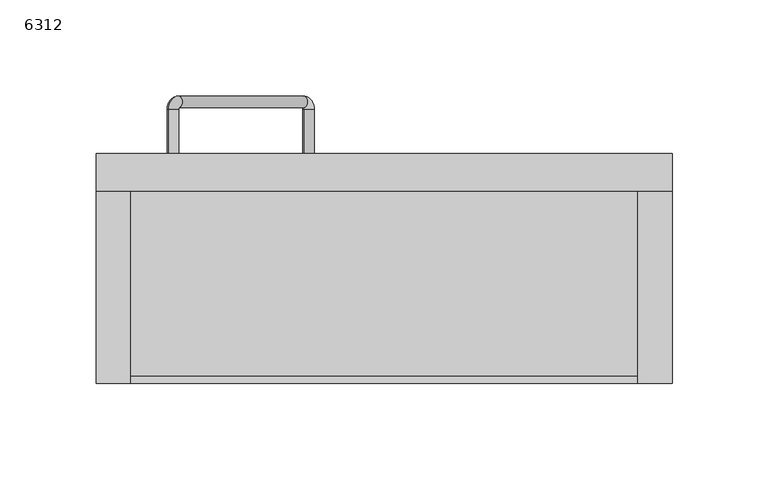
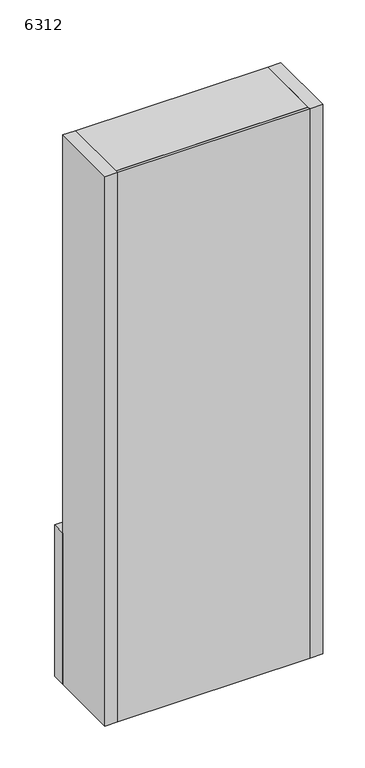
"""IFC4 building model written with IfcOpenShell, lengths in millimetres: furniture geometry, 6312."""

from ifc_helpers import new_model, si_unit, point, frame, origin, place, context, project, spatial, polyline, circle_curve, ellipse_curve, trimmed, outline, extrude, source, transform, mapped, element, save
from ifc_brep_helpers import plane_surface, cylinder_surface, revolved_surface, extruded_surface, advanced_brep


def furniture_6312_9001e720(model_context):
    return source(origin(), model_context, "Body", "SolidModel", [
        advanced_brep(
        [(-67.4209939, 120.0, 1302.1213203), (-63.1783532, 120.0, 1297.8786797), (-63.1783532, 142.9618241, 1297.8786797), (-67.4209939, 142.9618241, 1302.1213203), (-62.444252, 144.0, 1297.1445785), (-62.444252, 150.0, 1297.1445785), (2.711752, 144.0, 1231.9885744), (2.711752, 150.0, 1231.9885744), (3.2896842, 143.1826805, 1231.4106422), (7.5323249, 143.1826805, 1227.1680015), (7.5323249, 120.0276388, 1227.1680015), (3.2896842, 120.0276388, 1231.4106422)],
        [
            (0, 1, circle_curve(frame((-65.2996736, 120.0, 1300.0), z_axis=(0.0, -1.0, 0.0), x_axis=(0.7071067811865324, 0.0, -0.7071067811865628)), 3.0)),
            (1, 0, circle_curve(frame((-65.2996736, 120.0, 1300.0), z_axis=(0.0, -1.0, 0.0), x_axis=(0.7071067811865324, 0.0, -0.7071067811865628)), 3.0)),
            (1, 2),
            (2, 3, circle_curve(frame((-65.2996736, 142.9618241, 1300.0), z_axis=(0.0, -1.0, 0.0), x_axis=(0.7071067811865324, 0.0, -0.7071067811865628)), 3.0)),
            (3, 0),
            (3, 2, circle_curve(frame((-65.2996736, 142.9618241, 1300.0), z_axis=(0.0, -1.0, 0.0), x_axis=(0.7071067811865324, 0.0, -0.7071067811865628)), 3.0)),
            (4, 5, circle_curve(frame((-62.444252, 147.0, 1297.1445785), z_axis=(-0.7071067811865324, 0.0, 0.7071067811865628), x_axis=(0.0, -1.0, 0.0)), 3.0)),
            (5, 3, circle_curve(frame((-62.444252, 142.9618241, 1297.1445785), z_axis=(0.7071067811865628, 0.0, 0.7071067811865324), x_axis=(-0.7071067811865324, 0.0, 0.7071067811865628)), 7.0381759)),
            (2, 4, circle_curve(frame((-62.444252, 142.9618241, 1297.1445785), z_axis=(-0.7071067811865628, 0.0, -0.7071067811865324), x_axis=(-0.7071067811865324, 0.0, 0.7071067811865628)), 1.0381759)),
            (5, 4, circle_curve(frame((-62.444252, 147.0, 1297.1445785), z_axis=(-0.7071067811865324, 0.0, 0.7071067811865628), x_axis=(0.0, -1.0, 0.0)), 3.0)),
            (4, 6),
            (6, 7, circle_curve(frame((2.711752, 147.0, 1231.9885744), z_axis=(-0.707106781186532, 0.0, 0.707106781186563), x_axis=(0.0, -1.0, 0.0)), 3.0)),
            (7, 5),
            (7, 6, circle_curve(frame((2.711752, 147.0, 1231.9885744), z_axis=(-0.707106781186532, 0.0, 0.707106781186563), x_axis=(0.0, -1.0, 0.0)), 3.0)),
            (8, 9, circle_curve(frame((5.4110046, 143.1826805, 1229.2893219), z_axis=(0.0, 1.0, 0.0), x_axis=(-0.7071067811865324, 0.0, 0.7071067811865628)), 3.0)),
            (9, 7, circle_curve(frame((2.711752, 143.1826805, 1231.9885744), z_axis=(0.7071067811865628, 0.0, 0.7071067811865324), x_axis=(0.0, 1.0, 0.0)), 6.8173195)),
            (6, 8, circle_curve(frame((2.711752, 143.1826805, 1231.9885744), z_axis=(-0.7071067811865628, 0.0, -0.7071067811865324), x_axis=(0.0, 1.0, 0.0)), 0.8173195)),
            (9, 8, circle_curve(frame((5.4110046, 143.1826805, 1229.2893219), z_axis=(0.0, 1.0, 0.0), x_axis=(-0.7071067811865324, 0.0, 0.7071067811865628)), 3.0)),
            (10, 11, circle_curve(frame((5.4110046, 120.0276388, 1229.2893219), z_axis=(0.0, -1.0, 0.0), x_axis=(-0.7071067811865324, 0.0, 0.7071067811865628)), 3.0)),
            (11, 10, circle_curve(frame((5.4110046, 120.0276388, 1229.2893219), z_axis=(0.0, -1.0, 0.0), x_axis=(-0.7071067811865324, 0.0, 0.7071067811865628)), 3.0)),
            (8, 11),
            (10, 9),
        ],
        [
            plane_surface(frame((-65.2996736, 120.0, 1300.0), z_axis=(0.0, -1.0, 0.0), x_axis=(0.7071067811865628, 0.0, 0.7071067811865324))),
            cylinder_surface(frame((-65.2996736, 120.0, 1300.0), z_axis=(0.0, -1.0, 0.0), x_axis=(0.7071067811865324, 0.0, -0.7071067811865628)), 3.0),
            revolved_surface(trimmed(ellipse_curve(frame((-65.2996736, 142.9618241, 1300.0), z_axis=(0.0, 1.0, 0.0), x_axis=(0.7071067811865324, 0.0, -0.7071067811865628)), 3.0, 3.0), [point((-67.4209939, 142.9618241, 1302.1213203))], [point((-63.1783532, 142.9618241, 1297.8786797))], True, "CARTESIAN"), (-62.444252, 142.9618241, 1297.1445785), (0.7071067811865628, 0.0, 0.7071067811865324)),
            revolved_surface(trimmed(ellipse_curve(frame((-65.2996736, 142.9618241, 1300.0), z_axis=(0.0, 1.0, 0.0), x_axis=(0.7071067811865324, 0.0, -0.7071067811865628)), 3.0, 3.0), [point((-63.1783532, 142.9618241, 1297.8786797))], [point((-67.4209939, 142.9618241, 1302.1213203))], True, "CARTESIAN"), (-62.444252, 142.9618241, 1297.1445785), (0.7071067811865628, 0.0, 0.7071067811865324)),
            cylinder_surface(frame((-62.444252, 147.0, 1297.1445785), z_axis=(-0.707106781186532, 0.0, 0.707106781186563), x_axis=(0.0, -1.0, 0.0)), 3.0),
            revolved_surface(trimmed(ellipse_curve(frame((2.711752, 147.0, 1231.9885744), z_axis=(0.7071067811865324, 0.0, -0.7071067811865628), x_axis=(0.0, -1.0, 0.0)), 3.0, 3.0), [point((2.711752, 150.0, 1231.9885744))], [point((2.711752, 144.0, 1231.9885744))], True, "CARTESIAN"), (2.711752, 143.1826805, 1231.9885744), (0.7071067811865628, 0.0, 0.7071067811865324)),
            revolved_surface(trimmed(ellipse_curve(frame((2.711752, 147.0, 1231.9885744), z_axis=(0.7071067811865324, 0.0, -0.7071067811865628), x_axis=(0.0, -1.0, 0.0)), 3.0, 3.0), [point((2.711752, 144.0, 1231.9885744))], [point((2.711752, 150.0, 1231.9885744))], True, "CARTESIAN"), (2.711752, 143.1826805, 1231.9885744), (0.7071067811865628, 0.0, 0.7071067811865324)),
            plane_surface(frame((5.4110046, 120.0276388, 1229.2893219), z_axis=(0.0, -1.0, 0.0), x_axis=(0.7071067811865628, 0.0, 0.7071067811865324))),
            cylinder_surface(frame((5.4110046, 143.1826805, 1229.2893219), z_axis=(0.0, 1.0000000000000002, 0.0), x_axis=(-0.7071067811865324, 0.0, 0.7071067811865628)), 3.0),
        ],
        [
            (0, [[1, 2]]),
            (1, [[3, 4, 5, -2]]),
            (1, [[-5, 6, -3, -1]]),
            (2, [[7, 8, -4, 9]]),
            (3, [[10, -9, -6, -8]]),
            (4, [[11, 12, 13, -7]]),
            (4, [[-13, 14, -11, -10]]),
            (5, [[15, 16, -12, 17]]),
            (6, [[18, -17, -14, -16]]),
            (7, [[19, 20]]),
            (8, [[21, -19, 22, -15]]),
            (8, [[-22, -20, -21, -18]]),
        ],
    ),
        extrude(outline(polyline([(194.7003264, 120.0), (194.7003264, 100.0), (-105.2996736, 100.0), (-105.2996736, 120.0), (194.7003264, 120.0)])), frame((0.0, 0.0, 1200.0), z_axis=(0.0, 0.0, 1.0), x_axis=(1.0, 0.0, 0.0)), (0.0, 0.0, 1.0), 220.0),
        extrude(outline(polyline([(176.7049696, 100.0), (176.7049696, 4.0), (-87.2950304, 4.0), (-87.2950304, 100.0), (176.7049696, 100.0)])), frame((0.0, 0.0, 1401.6751008), z_axis=(0.0, 0.0, 1.0), x_axis=(1.0, 0.0, 0.0)), (0.0, 0.0, 1.0), 18.3248992),
        extrude(outline(polyline([(176.7049696, 100.0), (176.7049696, 4.0), (-87.2950304, 4.0), (-87.2950304, 100.0), (176.7049696, 100.0)])), frame((0.0, 0.0, 1612.9717159), z_axis=(0.0, 0.0, 1.0), x_axis=(1.0, 0.0, 0.0)), (0.0, 0.0, 1.0), 18.3248992),
        extrude(outline(polyline([(176.7049696, 100.0), (176.7049696, 4.0), (-87.2950304, 4.0), (-87.2950304, 100.0), (176.7049696, 100.0)])), frame((0.0, 0.0, 1766.6751008), z_axis=(0.0, 0.0, 1.0), x_axis=(1.0, 0.0, 0.0)), (0.0, 0.0, 1.0), 18.3248992),
        advanced_brep(
        [(-87.2950304, 100.0, 1224.5604613), (-87.2950304, 98.0, 1224.5604613), (176.7049696, 98.0, 1224.5604613), (176.7049696, 100.0, 1224.5604613), (176.7049696, 100.0, 1200.0), (176.7049696, 4.0, 1200.0), (-87.2950304, 4.0, 1200.0), (-87.2950304, 100.0, 1200.0), (-57.7996736, 53.0, 1200.0), (147.2003264, 53.0, 1200.0), (176.7049696, 98.0, 1202.0), (176.7049696, 4.0, 1202.0), (-87.2950304, 4.0, 1202.0), (-87.2950304, 98.0, 1202.0), (147.2003264, 53.0, 1202.0), (-57.7996736, 53.0, 1202.0)],
        [
            (0, 1),
            (1, 2),
            (2, 3),
            (3, 0),
            (4, 5),
            (5, 6),
            (6, 7),
            (7, 4),
            (8, 9, ellipse_curve(frame((44.7003264, 53.0, 1200.0), z_axis=(0.0, 0.0, 1.0), x_axis=(1.0, 0.0, 0.0)), 102.5, 30.0)),
            (9, 8, ellipse_curve(frame((44.7003264, 53.0, 1200.0), z_axis=(0.0, 0.0, 1.0), x_axis=(1.0, 0.0, 0.0)), 102.5, 30.0)),
            (4, 3),
            (2, 10),
            (10, 11),
            (11, 5),
            (11, 12),
            (12, 6),
            (12, 13),
            (13, 1),
            (0, 7),
            (10, 13),
            (14, 15, ellipse_curve(frame((44.7003264, 53.0, 1202.0), z_axis=(0.0, 0.0, -1.0), x_axis=(1.0, 0.0, 0.0)), 102.5, 30.0)),
            (15, 14, ellipse_curve(frame((44.7003264, 53.0, 1202.0), z_axis=(0.0, 0.0, -1.0), x_axis=(1.0, 0.0, 0.0)), 102.5, 30.0)),
            (15, 8),
            (9, 14),
        ],
        [
            plane_surface(frame((176.7049696, 100.0, 1224.5604613), z_axis=(0.0, 0.0, 1.0), x_axis=(0.0, -1.0, 0.0))),
            plane_surface(frame((176.7049696, 100.0, 1200.0), z_axis=(0.0, 0.0, -1.0), x_axis=(0.0, 1.0, 0.0))),
            plane_surface(frame((176.7049696, 100.0, 1224.5604613), z_axis=(1.0, 0.0, 0.0), x_axis=(0.0, 0.0, -1.0))),
            plane_surface(frame((176.7049696, 4.0, 1224.5604613), z_axis=(0.0, -1.0, 0.0), x_axis=(0.0, 0.0, -1.0))),
            plane_surface(frame((-87.2950304, 4.0, 1224.5604613), z_axis=(-1.0, 0.0, 0.0), x_axis=(0.0, 0.0, -1.0))),
            plane_surface(frame((-87.2950304, 100.0, 1224.5604613), z_axis=(0.0, 1.0, 0.0), x_axis=(0.0, 0.0, -1.0))),
            plane_surface(frame((-78.8949291, 4.0, 1202.0), z_axis=(0.0, 0.0, 1.0), x_axis=(1.0, 0.0, 0.0))),
            plane_surface(frame((-87.2950304, 98.0, 1224.5604613), z_axis=(0.0, -1.0, 0.0), x_axis=(0.0, 0.0, -1.0))),
            extruded_surface(trimmed(ellipse_curve(frame((44.7003264, 53.0, 1198.0), z_axis=(0.0, 0.0, -1.0), x_axis=(1.0, 0.0, 0.0)), 102.5, 30.0), [point((-57.7996736, 53.0, 1198.0))], [point((147.2003264, 53.0, 1198.0))], True, "CARTESIAN"), (0.0, 0.0, 2.0), 2.0),
            extruded_surface(trimmed(ellipse_curve(frame((44.7003264, 53.0, 1198.0), z_axis=(0.0, 0.0, -1.0), x_axis=(1.0, 0.0, 0.0)), 102.5, 30.0), [point((147.2003264, 53.0, 1198.0))], [point((-57.7996736, 53.0, 1198.0))], True, "CARTESIAN"), (0.0, 0.0, 2.0), 2.0),
        ],
        [
            (0, [[1, 2, 3, 4]]),
            (1, [[5, 6, 7, 8], [9, 10]]),
            (2, [[11, -3, 12, 13, 14, -5]]),
            (3, [[-14, 15, 16, -6]]),
            (4, [[-16, 17, 18, -1, 19, -7]]),
            (5, [[-11, -8, -19, -4]]),
            (6, [[-17, -15, -13, 20], [21, 22]]),
            (7, [[-12, -2, -18, -20]]),
            (8, [[-22, 23, -10, 24]]),
            (9, [[-9, -23, -21, -24]]),
        ],
    ),
        extrude(outline(polyline([(176.7049696, 100.0), (176.7049696, 4.0), (-87.2950304, 4.0), (-87.2950304, 100.0), (176.7049696, 100.0)])), frame((0.0, 0.0, 1981.6751008), z_axis=(0.0, 0.0, 1.0), x_axis=(1.0, 0.0, 0.0)), (0.0, 0.0, 1.0), 18.3248992),
        extrude(outline(polyline([(176.7049696, 13.6666908), (176.7049696, 4.0), (-87.2950304, 4.0), (-87.2950304, 13.6666908), (176.7049696, 13.6666908)])), frame((0.0, 0.0, 1931.6751008), z_axis=(0.0, 0.0, 1.0), x_axis=(1.0, 0.0, 0.0)), (0.0, 0.0, 1.0), 50.0),
        extrude(outline(polyline([(176.7049696, 0.0), (-87.2950304, 0.0), (-87.2950304, 4.0), (176.7049696, 4.0), (176.7049696, 0.0)])), frame((0.0, 0.0, 1200.0), z_axis=(0.0, 0.0, 1.0), x_axis=(1.0, 0.0, 0.0)), (0.0, 0.0, 1.0), 800.0),
        extrude(outline(polyline([(-87.2950304, 100.0), (-87.2950304, 0.0), (-105.2996736, 0.0), (-105.2996736, 100.0), (-87.2950304, 100.0)])), frame((0.0, 0.0, 1200.0), z_axis=(0.0, 0.0, 1.0), x_axis=(1.0, 0.0, 0.0)), (0.0, 0.0, 1.0), 800.0),
        extrude(outline(polyline([(176.7049696, 100.0), (194.7003264, 100.0), (194.7003264, 0.0), (176.7049696, 0.0), (176.7049696, 100.0)])), frame((0.0, 0.0, 1200.0), z_axis=(0.0, 0.0, 1.0), x_axis=(1.0, 0.0, 0.0)), (0.0, 0.0, 1.0), 800.0),
    ])


if __name__ == "__main__":
    model = new_model("IFC4")
    model_context = context("Model", 3, world=origin())
    ifc_project = project(units=[si_unit("LENGTHUNIT", "METRE", prefix="MILLI")], contexts=[model_context])
    site = spatial("IfcSite", under=ifc_project)
    building = spatial("IfcBuilding", under=site)
    placement = place(None, origin())
    furniture_6312_shape = furniture_6312_9001e720(model_context)
    element("IfcFurniture", 1, ObjectType="6312", at=placement, inside=building, context=model_context, shape_type="MappedRepresentation", body=[
        mapped(furniture_6312_shape, transform((0.0, 0.0, 0.0), x_axis=(1.0, 0.0, 0.0), y_axis=(0.0, 1.0, 0.0), z_axis=(0.0, 0.0, 1.0))),
    ])
    save(model, "model.ifc")
